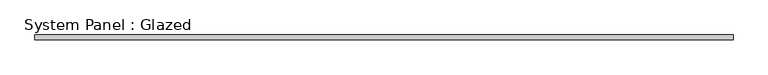
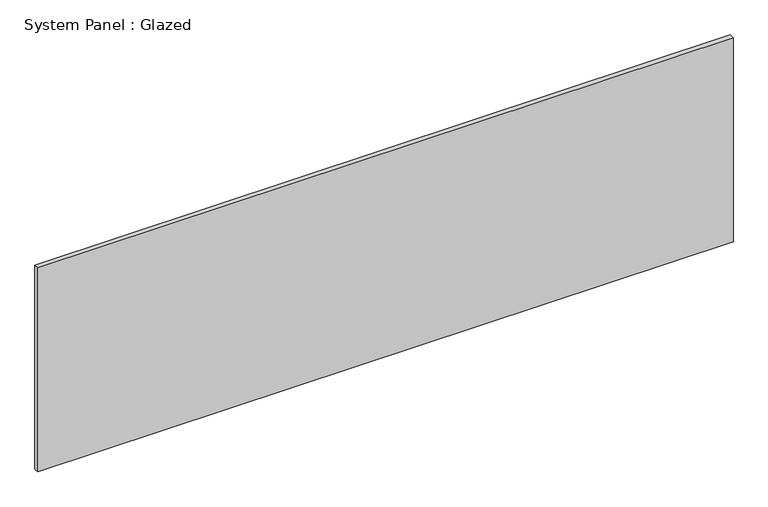
"""IFC4 building model written with IfcOpenShell, lengths in millimetres: plate geometry, System Panel : Glazed."""

from ifc_helpers import new_model, si_unit, origin, origin_with_axes, place, context, project, spatial, polyline, outline, extrude, source, transform, mapped, element, save


def system_panel_glazed_d06f6328(model_context):
    return source(origin(), model_context, "Body", "SweptSolid", [
        extrude(outline(polyline([(1812.925, 19.05), (-1812.925, 19.05), (-1812.925, 44.45), (1812.925, 44.45), (1812.925, 19.05)])), origin_with_axes(), (0.0, 0.0, 1.0), 1123.95),
    ])


if __name__ == "__main__":
    model = new_model("IFC4")
    model_context = context("Model", 3, world=origin())
    ifc_project = project(units=[si_unit("LENGTHUNIT", "METRE", prefix="MILLI")], contexts=[model_context])
    site = spatial("IfcSite", under=ifc_project)
    building = spatial("IfcBuilding", under=site)
    placement = place(None, origin())
    system_panel_glazed_shape = system_panel_glazed_d06f6328(model_context)
    element("IfcPlate", 1, ObjectType="System Panel : Glazed", at=placement, inside=building, context=model_context, shape_type="MappedRepresentation", body=[
        mapped(system_panel_glazed_shape, transform((0.0, 0.0, 0.0), x_axis=(1.0, 0.0, 0.0), y_axis=(0.0, 1.0, 0.0), z_axis=(0.0, 0.0, 1.0))),
    ])
    save(model, "model.ifc")
